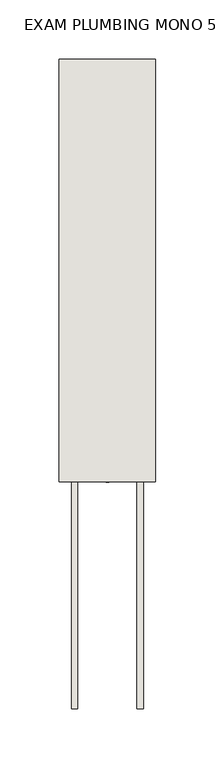
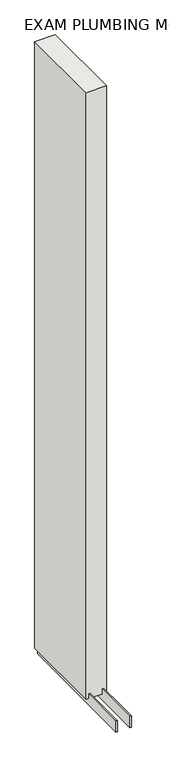
"""IFC4 building model written with IfcOpenShell, lengths in millimetres: wall geometry, EXAM PLUMBING MONO 572794 : EXAM PLUMBING MONO 572794."""

import ifcopenshell
import ifcopenshell.guid

model = None  # the IFC model being written
_history = None  # IfcOwnerHistory: only IFC2X3 demands one
_inside = {}  # id of a spatial element -> (the spatial element, [elements in it])
_under = {}  # id of a project, library or spatial element -> (it, [spatial elements below it])
_declared = {}  # id of a project -> (the project, [libraries it declares])
_typed = {}  # id of a type object -> (the type object, [elements of that type])
_made_of = {}  # id of a material, layer set ... -> (it, [elements and type objects made of it])


def new_model(schema):
    """Start an empty IFC model of exactly this schema.

    Asked for "IFC4X3", IfcOpenShell would pick the latest addendum, in which some entities
    have other attributes; the version numbers below select the first issue.
    IFC2X3 requires an IfcOwnerHistory on every rooted entity: one is made here for all.
    """
    global model, _history
    if schema == "IFC4X3":
        model = ifcopenshell.file(schema_version=(4, 3, 0, 0))
    else:
        model = ifcopenshell.file(schema=schema)
    _inside.clear()
    _under.clear()
    _declared.clear()
    _typed.clear()
    _made_of.clear()
    _history = None
    if model.schema == "IFC2X3":
        org = make("IfcOrganization", Name="unknown")
        user = make(
            "IfcPersonAndOrganization",
            ThePerson=make("IfcPerson", FamilyName="unknown"),
            TheOrganization=org,
        )
        app = make(
            "IfcApplication",
            ApplicationDeveloper=org,
            Version="unknown",
            ApplicationFullName="unknown",
            ApplicationIdentifier="unknown",
        )
        _history = make(
            "IfcOwnerHistory",
            OwningUser=user,
            OwningApplication=app,
            ChangeAction="ADDED",
            CreationDate=0,
        )
    return model


def make(cls, **values):
    """One entity of the class cls with the attributes given. An attribute that is None is left unset."""
    return model.create_entity(
        cls, **{name: value for name, value in values.items() if value is not None}
    )


def rooted(cls, **values):
    """An entity with a GlobalId (a new one), such as an element, a storey or a relation."""
    return make(cls, GlobalId=ifcopenshell.guid.new(), OwnerHistory=_history, **values)


def si_unit(unit_type, name, prefix=None):
    """IfcSIUnit, for example si_unit("LENGTHUNIT", "METRE", prefix="MILLI")."""
    return make("IfcSIUnit", UnitType=unit_type, Prefix=prefix, Name=name)


def assignment(units):
    """IfcUnitAssignment: the units of a project."""
    return None if units is None else make("IfcUnitAssignment", Units=units)


def point(xyz):
    """IfcCartesianPoint."""
    return None if xyz is None else make("IfcCartesianPoint", Coordinates=xyz)


def direction(xyz):
    """IfcDirection."""
    return None if xyz is None else make("IfcDirection", DirectionRatios=xyz)


def frame(location, z_axis=None, x_axis=None):
    """IfcAxis2Placement3D, a coordinate frame: its origin and axes. An axis left out is left unset."""
    return make(
        "IfcAxis2Placement3D",
        Location=point(location),
        Axis=direction(z_axis),
        RefDirection=direction(x_axis),
    )


def origin():
    """The frame at (0, 0, 0) with its axes left unset."""
    return frame((0.0, 0.0, 0.0))


def place(relative_to, where):
    """IfcLocalPlacement: puts the frame where relative to a parent placement (None: the world)."""
    return make(
        "IfcLocalPlacement", PlacementRelTo=relative_to, RelativePlacement=where
    )


def context(
    kind, dimensions, precision=None, world=None, true_north=None, identifier=None
):
    """IfcGeometricRepresentationContext, for example the 3D "Model" context."""
    return make(
        "IfcGeometricRepresentationContext",
        ContextIdentifier=identifier,
        ContextType=kind,
        CoordinateSpaceDimension=dimensions,
        Precision=precision,
        WorldCoordinateSystem=world,
        TrueNorth=true_north,
    )


def project(units=None, contexts=None):
    """IfcProject with its units and contexts."""
    return rooted(
        "IfcProject",
        Name="project",
        RepresentationContexts=contexts,
        UnitsInContext=assignment(units),
    )


def spatial(cls, under=None, at=None, **own):
    """A site, building, storey or space (cls), placed at a placement, below another one or the project."""
    s = rooted(cls, ObjectPlacement=at, **own)
    if under is not None:
        _under.setdefault(under.id(), (under, []))[1].append(s)
    return s


def polyline(points):
    """IfcPolyline through the points."""
    return make("IfcPolyline", Points=[point(p) for p in points])


def outline(outer, holes=None, kind="AREA"):
    """IfcArbitraryClosedProfileDef: a profile drawn as a closed curve; with holes, ...WithVoids."""
    if holes is None:
        return make("IfcArbitraryClosedProfileDef", ProfileType=kind, OuterCurve=outer)
    return make(
        "IfcArbitraryProfileDefWithVoids",
        ProfileType=kind,
        OuterCurve=outer,
        InnerCurves=holes,
    )


def extrude(swept, where, along, depth):
    """IfcExtrudedAreaSolid: the profile swept, set in the frame where, extruded along a direction by depth."""
    return make(
        "IfcExtrudedAreaSolid",
        SweptArea=swept,
        Position=where,
        ExtrudedDirection=direction(along),
        Depth=depth,
    )


def shape(context_of_items, identifier, shape_type, items):
    """IfcShapeRepresentation: the items that make up one representation, for example the "Body"."""
    return make(
        "IfcShapeRepresentation",
        ContextOfItems=context_of_items,
        RepresentationIdentifier=identifier,
        RepresentationType=shape_type,
        Items=items,
    )


def source(mapping_origin, context_of_items, identifier, shape_type, items):
    """IfcRepresentationMap: a shape defined once, which mapped items show again and again."""
    return make(
        "IfcRepresentationMap",
        MappingOrigin=mapping_origin,
        MappedRepresentation=shape(context_of_items, identifier, shape_type, items),
    )


def transform(
    local_origin,
    x_axis=None,
    y_axis=None,
    z_axis=None,
    scale=None,
    scale2=None,
    scale3=None,
    uniform=True,
):
    """IfcCartesianTransformationOperator3D, or its non-uniform kind. x_axis, y_axis, z_axis: its Axis1, 2, 3."""
    if uniform:
        return make(
            "IfcCartesianTransformationOperator3D",
            Axis1=direction(x_axis),
            Axis2=direction(y_axis),
            LocalOrigin=point(local_origin),
            Scale=scale,
            Axis3=direction(z_axis),
        )
    return make(
        "IfcCartesianTransformationOperator3DnonUniform",
        Axis1=direction(x_axis),
        Axis2=direction(y_axis),
        LocalOrigin=point(local_origin),
        Scale=scale,
        Axis3=direction(z_axis),
        Scale2=scale2,
        Scale3=scale3,
    )


def mapped(mapping_source, mapping_target):
    """IfcMappedItem: shows the shape of a source again, moved by a transform."""
    return make(
        "IfcMappedItem", MappingSource=mapping_source, MappingTarget=mapping_target
    )


def made_of(thing, what):
    """Note that an element or type object is made of a material, layer set ...; save() writes the relation."""
    if what is not None:
        _made_of.setdefault(what.id(), (what, []))[1].append(thing)
    return thing


def element(
    cls,
    number,
    at=None,
    inside=None,
    cuts=None,
    type_object=None,
    material=None,
    context=None,
    identifier="Body",
    shape_type=None,
    held_by="IfcProductDefinitionShape",
    body=None,
    shapes=None,
    **own,
):
    """One element of the class cls, such as IfcWall. Its Tag is "e" and its number.

    at: its placement. inside: the storey or other place that contains it. cuts: it is an
    opening in that element (IfcRelVoidsElement). A single representation is given by context,
    identifier, shape_type and body (its items); several are given by shapes. held_by: the class
    of the entity that holds the representations. save() writes the other relations.
    """
    e = rooted(cls, Tag="e%d" % number, ObjectPlacement=at, **own)
    if body is not None:
        shapes = [shape(context, identifier, shape_type, body)]
    if shapes is not None:
        e.Representation = make(held_by, Representations=shapes)
    if inside is not None:
        _inside.setdefault(inside.id(), (inside, []))[1].append(e)
    if cuts is not None:
        rooted(
            "IfcRelVoidsElement", RelatingBuildingElement=cuts, RelatedOpeningElement=e
        )
    if type_object is not None:
        _typed.setdefault(type_object.id(), (type_object, []))[1].append(e)
    return made_of(e, material)


def aggregate(whole, parts):
    """IfcRelAggregates: a whole, such as a stair, and the parts it consists of."""
    return rooted("IfcRelAggregates", RelatingObject=whole, RelatedObjects=parts)


def save(model, path):
    """Write the relations noted so far, then the file.

    IfcRelAggregates (storeys below a building ...), IfcRelContainedInSpatialStructure (elements
    in a storey), IfcRelDefinesByType, IfcRelAssociatesMaterial and IfcRelDeclares: one each for
    every whole, place, type object, material and project.
    """
    for whole, parts in _under.values():
        aggregate(whole, parts)
    for where, things in _inside.values():
        rooted(
            "IfcRelContainedInSpatialStructure",
            RelatedElements=things,
            RelatingStructure=where,
        )
    for kind, things in _typed.values():
        rooted("IfcRelDefinesByType", RelatedObjects=things, RelatingType=kind)
    for what, things in _made_of.values():
        rooted("IfcRelAssociatesMaterial", RelatedObjects=things, RelatingMaterial=what)
    for by, libraries in _declared.values():
        rooted("IfcRelDeclares", RelatingContext=by, RelatedDefinitions=libraries)
    model.write(path)


def exam_plumbing_mono_572794_exam_plumbing_mono_572794_5da947ad(model_context):
    return source(origin(), model_context, "Body", "SweptSolid", [
        extrude(outline(polyline([(44096.3639026, -44081.270867), (44096.3639026, -44078.730867), (44098.9039026, -44078.730867), (44098.9039026, -44081.270867), (44096.3639026, -44081.270867)])), frame((0.0, 0.0, 4419.6), z_axis=(0.0, 0.0, 1.0), x_axis=(1.0, 0.0, 0.0)), (0.0, 0.0, 1.0), 2.54),
        extrude(outline(polyline([(44122.720746, -44271.7690128), (44122.720746, -43725.6690128), (44127.7995014, -43725.6690128), (44127.7995014, -44271.7690128), (44122.720746, -44271.7690128)])), frame((0.0, 0.0, 4418.6602), z_axis=(0.0, 0.0, 1.0), x_axis=(1.0, 0.0, 0.0)), (0.0, 0.0, 1.0), 47.625),
        extrude(outline(polyline([(44122.720746, -44271.7690128), (44122.720746, -43725.6690128), (44127.7995014, -43725.6690128), (44127.7995014, -44271.7690128), (44122.720746, -44271.7690128)])), frame((0.0, 0.0, 4418.6602), z_axis=(0.0, 0.0, 1.0), x_axis=(1.0, 0.0, 0.0)), (0.0, 0.0, 1.0), 47.625),
        extrude(outline(polyline([(44072.556381, -43725.6690128), (44072.556381, -44271.7690128), (44067.4745014, -44271.7690128), (44067.4745014, -43725.6690128), (44072.556381, -43725.6690128)])), frame((0.0, 0.0, 4418.6602), z_axis=(0.0, 0.0, 1.0), x_axis=(1.0, 0.0, 0.0)), (0.0, 0.0, 1.0), 47.625),
        extrude(outline(polyline([(44072.556381, -43725.6690128), (44072.556381, -44271.7690128), (44067.4745014, -44271.7690128), (44067.4745014, -43725.6690128), (44072.556381, -43725.6690128)])), frame((0.0, 0.0, 4418.6602), z_axis=(0.0, 0.0, 1.0), x_axis=(1.0, 0.0, 0.0)), (0.0, 0.0, 1.0), 47.625),
        extrude(outline(polyline([(44138.2670954, -44081.2690128), (44056.9852412, -44081.2690128), (44056.9852412, -43725.6690128), (44138.2670954, -43725.6690128), (44138.2670954, -44081.2690128)])), frame((0.0, 0.0, 4445.0), z_axis=(0.0, 0.0, 1.0), x_axis=(1.0, 0.0, 0.0)), (0.0, 0.0, 1.0), 2562.4536762),
    ])


if __name__ == "__main__":
    model = new_model("IFC4")
    model_context = context("Model", 3, world=origin())
    ifc_project = project(units=[si_unit("LENGTHUNIT", "METRE", prefix="MILLI")], contexts=[model_context])
    site = spatial("IfcSite", under=ifc_project)
    building = spatial("IfcBuilding", under=site)
    placement = place(None, origin())
    exam_plumbing_mono_572794_exam_plumbing_mono_572794_shape = exam_plumbing_mono_572794_exam_plumbing_mono_572794_5da947ad(model_context)
    element("IfcWall", 1, ObjectType="EXAM PLUMBING MONO 572794 : EXAM PLUMBING MONO 572794", at=placement, inside=building, context=model_context, shape_type="MappedRepresentation", body=[
        mapped(exam_plumbing_mono_572794_exam_plumbing_mono_572794_shape, transform((0.0, 0.0, 0.0), x_axis=(1.0, 0.0, 0.0), y_axis=(0.0, 1.0, 0.0), z_axis=(0.0, 0.0, 1.0))),
    ])
    save(model, "model.ifc")
